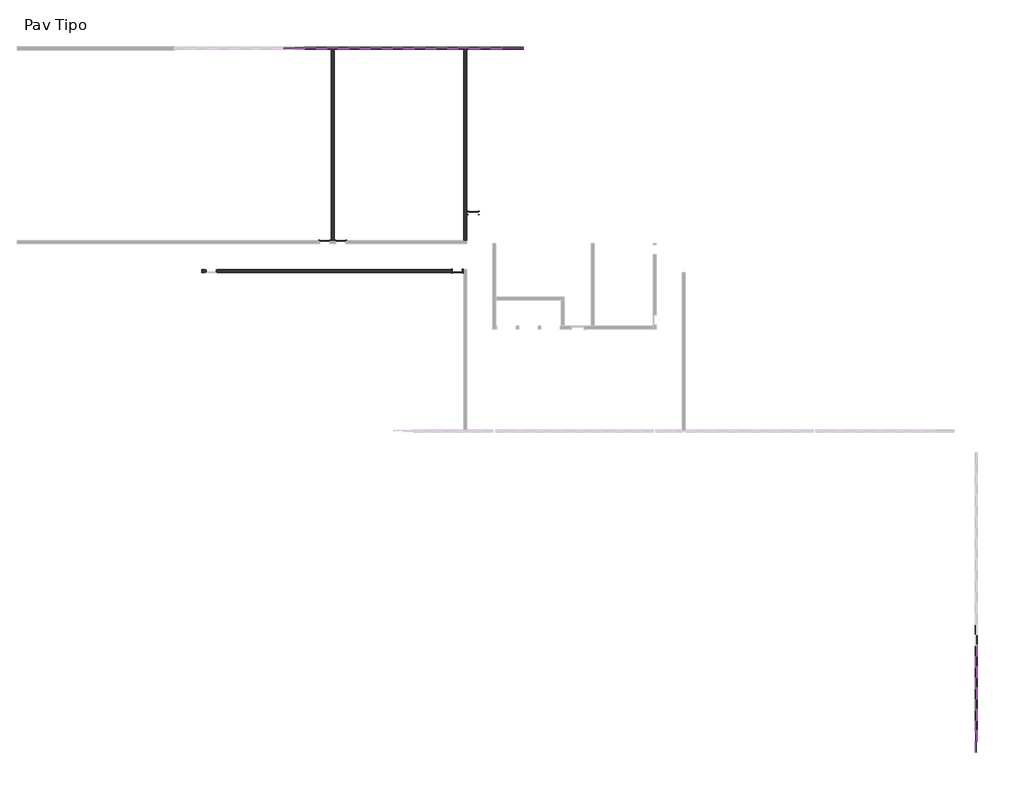
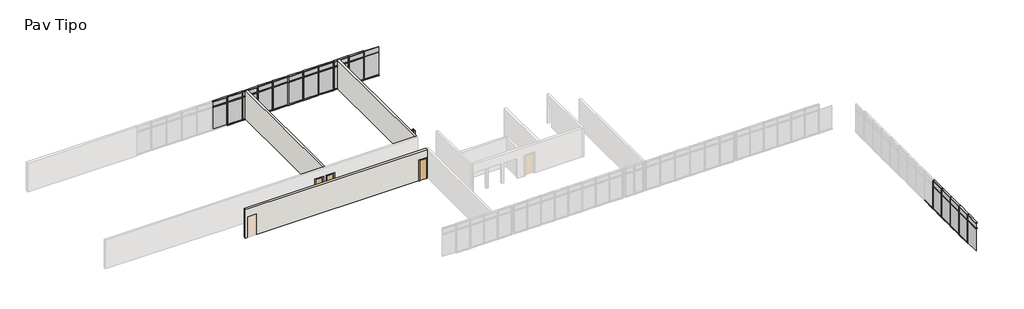
# One storey, part 6 of 12: 75 members, 32 plates, 4 doors, 3 walls.
"""IFC4 building model written with IfcOpenShell, lengths in millimetres."""

import ifcopenshell
import ifcopenshell.guid

model = None  # the IFC model being written
_history = None  # IfcOwnerHistory: only IFC2X3 demands one
_inside = {}  # id of a spatial element -> (the spatial element, [elements in it])
_under = {}  # id of a project, library or spatial element -> (it, [spatial elements below it])
_declared = {}  # id of a project -> (the project, [libraries it declares])
_typed = {}  # id of a type object -> (the type object, [elements of that type])
_made_of = {}  # id of a material, layer set ... -> (it, [elements and type objects made of it])


def new_model(schema):
    """Start an empty IFC model of exactly this schema.

    Asked for "IFC4X3", IfcOpenShell would pick the latest addendum, in which some entities
    have other attributes; the version numbers below select the first issue.
    IFC2X3 requires an IfcOwnerHistory on every rooted entity: one is made here for all.
    """
    global model, _history
    if schema == "IFC4X3":
        model = ifcopenshell.file(schema_version=(4, 3, 0, 0))
    else:
        model = ifcopenshell.file(schema=schema)
    _inside.clear()
    _under.clear()
    _declared.clear()
    _typed.clear()
    _made_of.clear()
    _history = None
    if model.schema == "IFC2X3":
        org = make("IfcOrganization", Name="unknown")
        user = make(
            "IfcPersonAndOrganization",
            ThePerson=make("IfcPerson", FamilyName="unknown"),
            TheOrganization=org,
        )
        app = make(
            "IfcApplication",
            ApplicationDeveloper=org,
            Version="unknown",
            ApplicationFullName="unknown",
            ApplicationIdentifier="unknown",
        )
        _history = make(
            "IfcOwnerHistory",
            OwningUser=user,
            OwningApplication=app,
            ChangeAction="ADDED",
            CreationDate=0,
        )
    return model


def make(cls, **values):
    """One entity of the class cls with the attributes given. An attribute that is None is left unset."""
    return model.create_entity(
        cls, **{name: value for name, value in values.items() if value is not None}
    )


def rooted(cls, **values):
    """An entity with a GlobalId (a new one), such as an element, a storey or a relation."""
    return make(cls, GlobalId=ifcopenshell.guid.new(), OwnerHistory=_history, **values)


def si_unit(unit_type, name, prefix=None):
    """IfcSIUnit, for example si_unit("LENGTHUNIT", "METRE", prefix="MILLI")."""
    return make("IfcSIUnit", UnitType=unit_type, Prefix=prefix, Name=name)


def assignment(units):
    """IfcUnitAssignment: the units of a project."""
    return None if units is None else make("IfcUnitAssignment", Units=units)


def point(xyz):
    """IfcCartesianPoint."""
    return None if xyz is None else make("IfcCartesianPoint", Coordinates=xyz)


def direction(xyz):
    """IfcDirection."""
    return None if xyz is None else make("IfcDirection", DirectionRatios=xyz)


def frame(location, z_axis=None, x_axis=None):
    """IfcAxis2Placement3D, a coordinate frame: its origin and axes. An axis left out is left unset."""
    return make(
        "IfcAxis2Placement3D",
        Location=point(location),
        Axis=direction(z_axis),
        RefDirection=direction(x_axis),
    )


def origin():
    """The frame at (0, 0, 0) with its axes left unset."""
    return frame((0.0, 0.0, 0.0))


def origin_with_axes():
    """The frame at (0, 0, 0) with the z axis (0, 0, 1) and the x axis (1, 0, 0) written out."""
    return frame((0.0, 0.0, 0.0), z_axis=(0.0, 0.0, 1.0), x_axis=(1.0, 0.0, 0.0))


def place(relative_to, where):
    """IfcLocalPlacement: puts the frame where relative to a parent placement (None: the world)."""
    return make(
        "IfcLocalPlacement", PlacementRelTo=relative_to, RelativePlacement=where
    )


def context(
    kind, dimensions, precision=None, world=None, true_north=None, identifier=None
):
    """IfcGeometricRepresentationContext, for example the 3D "Model" context."""
    return make(
        "IfcGeometricRepresentationContext",
        ContextIdentifier=identifier,
        ContextType=kind,
        CoordinateSpaceDimension=dimensions,
        Precision=precision,
        WorldCoordinateSystem=world,
        TrueNorth=true_north,
    )


def project(units=None, contexts=None):
    """IfcProject with its units and contexts."""
    return rooted(
        "IfcProject",
        Name="project",
        RepresentationContexts=contexts,
        UnitsInContext=assignment(units),
    )


def spatial(cls, under=None, at=None, **own):
    """A site, building, storey or space (cls), placed at a placement, below another one or the project."""
    s = rooted(cls, ObjectPlacement=at, **own)
    if under is not None:
        _under.setdefault(under.id(), (under, []))[1].append(s)
    return s


def polyline(points):
    """IfcPolyline through the points."""
    return make("IfcPolyline", Points=[point(p) for p in points])


def outline(outer, holes=None, kind="AREA"):
    """IfcArbitraryClosedProfileDef: a profile drawn as a closed curve; with holes, ...WithVoids."""
    if holes is None:
        return make("IfcArbitraryClosedProfileDef", ProfileType=kind, OuterCurve=outer)
    return make(
        "IfcArbitraryProfileDefWithVoids",
        ProfileType=kind,
        OuterCurve=outer,
        InnerCurves=holes,
    )


def extrude(swept, where, along, depth):
    """IfcExtrudedAreaSolid: the profile swept, set in the frame where, extruded along a direction by depth."""
    return make(
        "IfcExtrudedAreaSolid",
        SweptArea=swept,
        Position=where,
        ExtrudedDirection=direction(along),
        Depth=depth,
    )


def faces_of(points, faces, orient=None, outer=None):
    """IfcFace entities. A face is a list of loops; a loop is a list of indices into points, from 0.

    orient and outer hold one flag for each loop. By default every Orientation is true, the
    first loop of a face is its IfcFaceOuterBound and the others are IfcFaceBound.
    """
    made = []
    for i, loops in enumerate(faces):
        bounds = []
        for j, loop in enumerate(loops):
            is_outer = j == 0 if outer is None else outer[i][j]
            bounds.append(
                make(
                    "IfcFaceOuterBound" if is_outer else "IfcFaceBound",
                    Bound=make("IfcPolyLoop", Polygon=[points[k] for k in loop]),
                    Orientation=True if orient is None else orient[i][j],
                )
            )
        made.append(make("IfcFace", Bounds=bounds))
    return made


def faceted_brep(points, faces, orient=None, outer=None, voids=None):
    """IfcFacetedBrep: a solid bounded by flat faces; with voids (closed shells), ...WithVoids."""
    shared = [point(p) for p in points]
    hull = make("IfcClosedShell", CfsFaces=faces_of(shared, faces, orient, outer))
    if voids is None:
        return make("IfcFacetedBrep", Outer=hull)
    return make(
        "IfcFacetedBrepWithVoids",
        Outer=hull,
        Voids=[
            make(cls, CfsFaces=faces_of(shared, fs, o, b)) for cls, fs, o, b in voids
        ],
    )


def shape(context_of_items, identifier, shape_type, items):
    """IfcShapeRepresentation: the items that make up one representation, for example the "Body"."""
    return make(
        "IfcShapeRepresentation",
        ContextOfItems=context_of_items,
        RepresentationIdentifier=identifier,
        RepresentationType=shape_type,
        Items=items,
    )


def source(mapping_origin, context_of_items, identifier, shape_type, items):
    """IfcRepresentationMap: a shape defined once, which mapped items show again and again."""
    return make(
        "IfcRepresentationMap",
        MappingOrigin=mapping_origin,
        MappedRepresentation=shape(context_of_items, identifier, shape_type, items),
    )


def transform(
    local_origin,
    x_axis=None,
    y_axis=None,
    z_axis=None,
    scale=None,
    scale2=None,
    scale3=None,
    uniform=True,
):
    """IfcCartesianTransformationOperator3D, or its non-uniform kind. x_axis, y_axis, z_axis: its Axis1, 2, 3."""
    if uniform:
        return make(
            "IfcCartesianTransformationOperator3D",
            Axis1=direction(x_axis),
            Axis2=direction(y_axis),
            LocalOrigin=point(local_origin),
            Scale=scale,
            Axis3=direction(z_axis),
        )
    return make(
        "IfcCartesianTransformationOperator3DnonUniform",
        Axis1=direction(x_axis),
        Axis2=direction(y_axis),
        LocalOrigin=point(local_origin),
        Scale=scale,
        Axis3=direction(z_axis),
        Scale2=scale2,
        Scale3=scale3,
    )


def mapped(mapping_source, mapping_target):
    """IfcMappedItem: shows the shape of a source again, moved by a transform."""
    return make(
        "IfcMappedItem", MappingSource=mapping_source, MappingTarget=mapping_target
    )


def made_of(thing, what):
    """Note that an element or type object is made of a material, layer set ...; save() writes the relation."""
    if what is not None:
        _made_of.setdefault(what.id(), (what, []))[1].append(thing)
    return thing


def element(
    cls,
    number,
    at=None,
    inside=None,
    cuts=None,
    type_object=None,
    material=None,
    context=None,
    identifier="Body",
    shape_type=None,
    held_by="IfcProductDefinitionShape",
    body=None,
    shapes=None,
    **own,
):
    """One element of the class cls, such as IfcWall. Its Tag is "e" and its number.

    at: its placement. inside: the storey or other place that contains it. cuts: it is an
    opening in that element (IfcRelVoidsElement). A single representation is given by context,
    identifier, shape_type and body (its items); several are given by shapes. held_by: the class
    of the entity that holds the representations. save() writes the other relations.
    """
    e = rooted(cls, Tag="e%d" % number, ObjectPlacement=at, **own)
    if body is not None:
        shapes = [shape(context, identifier, shape_type, body)]
    if shapes is not None:
        e.Representation = make(held_by, Representations=shapes)
    if inside is not None:
        _inside.setdefault(inside.id(), (inside, []))[1].append(e)
    if cuts is not None:
        rooted(
            "IfcRelVoidsElement", RelatingBuildingElement=cuts, RelatedOpeningElement=e
        )
    if type_object is not None:
        _typed.setdefault(type_object.id(), (type_object, []))[1].append(e)
    return made_of(e, material)


def aggregate(whole, parts):
    """IfcRelAggregates: a whole, such as a stair, and the parts it consists of."""
    return rooted("IfcRelAggregates", RelatingObject=whole, RelatedObjects=parts)


def save(model, path):
    """Write the relations noted so far, then the file.

    IfcRelAggregates (storeys below a building ...), IfcRelContainedInSpatialStructure (elements
    in a storey), IfcRelDefinesByType, IfcRelAssociatesMaterial and IfcRelDeclares: one each for
    every whole, place, type object, material and project.
    """
    for whole, parts in _under.values():
        aggregate(whole, parts)
    for where, things in _inside.values():
        rooted(
            "IfcRelContainedInSpatialStructure",
            RelatedElements=things,
            RelatingStructure=where,
        )
    for kind, things in _typed.values():
        rooted("IfcRelDefinesByType", RelatedObjects=things, RelatingType=kind)
    for what, things in _made_of.values():
        rooted("IfcRelAssociatesMaterial", RelatedObjects=things, RelatingMaterial=what)
    for by, libraries in _declared.values():
        rooted("IfcRelDeclares", RelatingContext=by, RelatedDefinitions=libraries)
    model.write(path)


def m_single_flush_porta_70_94af1243(model_context):
    return source(origin(), model_context, "Body", "SweptSolid", [
        extrude(outline(polyline([(2176.0, -426.0), (0.0, -426.0), (0.0, -350.0), (2100.0, -350.0), (2100.0, 350.0), (0.0, 350.0), (0.0, 426.0), (2176.0, 426.0), (2176.0, -426.0)])), frame((0.0, 100.0, 0.0), z_axis=(0.0, 1.0, 0.0), x_axis=(0.0, 0.0, 1.0)), (0.0, 0.0, 1.0), 25.0),
        extrude(outline(polyline([(2176.0, 426.0), (2176.0, -426.0), (0.0, -426.0), (0.0, -350.0), (2100.0, -350.0), (2100.0, 350.0), (0.0, 350.0), (0.0, 426.0), (2176.0, 426.0)])), frame((0.0, -125.0, 0.0), z_axis=(0.0, 1.0, 0.0), x_axis=(0.0, 0.0, 1.0)), (0.0, 0.0, 1.0), 25.0),
        extrude(outline(polyline([(350.0, 49.0), (-350.0, 49.0), (-350.0, 100.0), (350.0, 100.0), (350.0, 49.0)])), origin_with_axes(), (0.0, 0.0, 1.0), 2100.0),
    ])


def m_single_flush_porta_70_b827da78(model_context):
    return source(origin(), model_context, "Body", "SweptSolid", [
        extrude(outline(polyline([(2176.0, -426.0), (0.0, -426.0), (0.0, -350.0), (2100.0, -350.0), (2100.0, 350.0), (0.0, 350.0), (0.0, 426.0), (2176.0, 426.0), (2176.0, -426.0)])), frame((0.0, -125.0, 0.0), z_axis=(0.0, 1.0, 0.0), x_axis=(0.0, 0.0, 1.0)), (0.0, 0.0, 1.0), 25.0),
        extrude(outline(polyline([(2176.0, 426.0), (2176.0, -426.0), (0.0, -426.0), (0.0, -350.0), (2100.0, -350.0), (2100.0, 350.0), (0.0, 350.0), (0.0, 426.0), (2176.0, 426.0)])), frame((0.0, 100.0, 0.0), z_axis=(0.0, 1.0, 0.0), x_axis=(0.0, 0.0, 1.0)), (0.0, 0.0, 1.0), 25.0),
        extrude(outline(polyline([(350.0, -49.0), (350.0, -100.0), (-350.0, -100.0), (-350.0, -49.0), (350.0, -49.0)])), origin_with_axes(), (0.0, 0.0, 1.0), 2100.0),
    ])


def rectangular_mullion_50_x_150mm_6225e4e3(model_context):
    return source(origin(), model_context, "Body", "SweptSolid", [
        extrude(outline(polyline([(25.0, 75.0), (25.0, -75.0), (-25.0, -75.0), (-25.0, 75.0), (25.0, 75.0)])), frame((0.0, 0.0, -2400.0), z_axis=(0.0, 0.0, 1.0), x_axis=(1.0, 0.0, 0.0)), (0.0, 0.0, 1.0), 2400.0),
    ])


def rectangular_mullion_50_x_150mm_7c7b8d17(model_context):
    return source(origin(), model_context, "Body", "SweptSolid", [
        extrude(outline(polyline([(0.0, 75.0), (0.0, -75.0), (-50.0, -75.0), (-50.0, 75.0), (0.0, 75.0)])), frame((0.0, 0.0, -1423.6842105), z_axis=(0.0, 0.0, 1.0), x_axis=(1.0, 0.0, 0.0)), (0.0, 0.0, 1.0), 1423.6842105),
    ])


def rectangular_mullion_50_x_150mm_27298aca(model_context):
    return source(origin(), model_context, "Body", "SweptSolid", [
        extrude(outline(polyline([(25.0, 75.0), (25.0, -75.0), (-25.0, -75.0), (-25.0, 75.0), (25.0, 75.0)])), frame((0.0, 0.0, -1423.6842105), z_axis=(0.0, 0.0, 1.0), x_axis=(1.0, 0.0, 0.0)), (0.0, 0.0, 1.0), 1423.6842105),
    ])


def rectangular_mullion_50_x_150mm_5a145be0(model_context):
    return source(origin(), model_context, "Body", "SweptSolid", [
        extrude(outline(polyline([(0.0, 75.0), (0.0, -75.0), (-50.0, -75.0), (-50.0, 75.0), (0.0, 75.0)])), frame((0.0, 0.0, -1450.0), z_axis=(0.0, 0.0, 1.0), x_axis=(1.0, 0.0, 0.0)), (0.0, 0.0, 1.0), 1450.0),
    ])


def rectangular_mullion_50_x_150mm_f0154c62(model_context):
    return source(origin(), model_context, "Body", "SweptSolid", [
        extrude(outline(polyline([(25.0, 75.0), (25.0, -75.0), (-25.0, -75.0), (-25.0, 75.0), (25.0, 75.0)])), frame((0.0, 0.0, -1450.0), z_axis=(0.0, 0.0, 1.0), x_axis=(1.0, 0.0, 0.0)), (0.0, 0.0, 1.0), 1450.0),
    ])


def rectangular_mullion_50_x_150mm_68b3818a(model_context):
    return source(origin(), model_context, "Body", "SweptSolid", [
        extrude(outline(polyline([(25.0, 75.0), (25.0, -75.0), (-25.0, -75.0), (-25.0, 75.0), (25.0, 75.0)])), frame((0.0, 0.0, -600.0), z_axis=(0.0, 0.0, 1.0), x_axis=(1.0, 0.0, 0.0)), (0.0, 0.0, 1.0), 600.0),
    ])


def system_panel_glazed_e350fe68(model_context):
    return source(origin(), model_context, "Body", "SweptSolid", [
        extrude(outline(polyline([(711.8421053, 24.5), (-711.8421053, 24.5), (-711.8421053, 49.5), (711.8421053, 49.5), (711.8421053, 24.5)])), origin_with_axes(), (0.0, 0.0, 1.0), 2325.0),
    ])


def system_panel_glazed_8ab755ad(model_context):
    return source(origin(), model_context, "Body", "SweptSolid", [
        extrude(outline(polyline([(725.0, 24.5), (-725.0, 24.5), (-725.0, 49.5), (725.0, 49.5), (725.0, 24.5)])), origin_with_axes(), (0.0, 0.0, 1.0), 2325.0),
    ])


def system_panel_glazed_0c7632f4(model_context):
    return source(origin(), model_context, "Body", "SweptSolid", [
        extrude(outline(polyline([(725.0, 24.5), (-725.0, 24.5), (-725.0, 49.5), (725.0, 49.5), (725.0, 24.5)])), origin_with_axes(), (0.0, 0.0, 1.0), 525.0),
    ])


def system_panel_glazed_b8c7c870(model_context):
    return source(origin(), model_context, "Body", "SweptSolid", [
        extrude(outline(polyline([(711.8421053, 24.5), (-711.8421053, 24.5), (-711.8421053, 49.5), (711.8421053, 49.5), (711.8421053, 24.5)])), origin_with_axes(), (0.0, 0.0, 1.0), 525.0),
    ])


model = new_model("IFC4")

# Units and contexts
model_context = context("Model", 3, world=origin())
ifc_project = project(units=[si_unit("LENGTHUNIT", "METRE", prefix="MILLI")], contexts=[model_context])

# Site, building, storey
site = spatial("IfcSite", under=ifc_project)
building = spatial("IfcBuilding", under=site)
storey = spatial("IfcBuildingStorey", under=building, Name="Pav Tipo", Elevation=7000.0)

# Doors
placement = place(None, origin())
m_single_flush_porta_70_shape = m_single_flush_porta_70_94af1243(model_context)
element("IfcDoor", 1, ObjectType="M_Single-Flush : porta 70", at=placement, inside=storey, context=model_context, shape_type="MappedRepresentation", body=[
    mapped(m_single_flush_porta_70_shape, transform((-13312.3640117, 34582.429968, 7000.0), x_axis=(1.0, 0.0, 0.0), y_axis=(0.0, 1.0, 0.0), z_axis=(0.0, 0.0, 1.0))),
])
m_single_flush_porta_70_2_shape = m_single_flush_porta_70_b827da78(model_context)
element("IfcDoor", 2, ObjectType="M_Single-Flush : porta 70", at=placement, inside=storey, context=model_context, shape_type="MappedRepresentation", body=[
    mapped(m_single_flush_porta_70_2_shape, transform((-3112.3640117, 36582.429968, 7000.0), x_axis=(-1.0, 0.0, 0.0), y_axis=(0.0, -1.0, 0.0), z_axis=(0.0, 0.0, 1.0))),
])
element("IfcDoor", 3, ObjectType="M_Single-Flush : porta 70", at=placement, inside=storey, context=model_context, shape_type="MappedRepresentation", body=[
    mapped(m_single_flush_porta_70_2_shape, transform((-12212.3640117, 34582.429968, 7000.0), x_axis=(-1.0, 0.0, 0.0), y_axis=(0.0, -1.0, 0.0), z_axis=(0.0, 0.0, 1.0))),
])
element("IfcDoor", 4, ObjectType="M_Single-Flush : porta 70", at=placement, inside=storey, context=model_context, shape_type="MappedRepresentation", body=[
    mapped(m_single_flush_porta_70_2_shape, transform((-4212.3640117, 32582.429968, 7000.0), x_axis=(1.0, 0.0, 0.0), y_axis=(0.0, 1.0, 0.0), z_axis=(0.0, 0.0, 1.0))),
])

# Members
rectangular_mullion_50_x_150mm_shape = rectangular_mullion_50_x_150mm_6225e4e3(model_context)
element("IfcMember", 5, ObjectType="Rectangular Mullion : 50 x 150mm", at=placement, inside=storey, context=model_context, shape_type="MappedRepresentation", body=[
    mapped(rectangular_mullion_50_x_150mm_shape, transform((31437.6359883, 960.7648733, 7000.0), x_axis=(0.0, 1.0, 0.0), y_axis=(1.0, 0.0, 0.0), z_axis=(0.0, 0.0, -1.0))),
])
element("IfcMember", 6, ObjectType="Rectangular Mullion : 50 x 150mm", at=placement, inside=storey, context=model_context, shape_type="MappedRepresentation", body=[
    mapped(rectangular_mullion_50_x_150mm_shape, transform((31437.6359883, 2434.4490838, 7000.0), x_axis=(0.0, 1.0, 0.0), y_axis=(1.0, 0.0, 0.0), z_axis=(0.0, 0.0, -1.0))),
])
element("IfcMember", 7, ObjectType="Rectangular Mullion : 50 x 150mm", at=placement, inside=storey, context=model_context, shape_type="MappedRepresentation", body=[
    mapped(rectangular_mullion_50_x_150mm_shape, transform((31437.6359883, 3908.1332943, 7000.0), x_axis=(0.0, 1.0, 0.0), y_axis=(1.0, 0.0, 0.0), z_axis=(0.0, 0.0, -1.0))),
])
element("IfcMember", 8, ObjectType="Rectangular Mullion : 50 x 150mm", at=placement, inside=storey, context=model_context, shape_type="MappedRepresentation", body=[
    mapped(rectangular_mullion_50_x_150mm_shape, transform((31437.6359883, 5381.8175049, 7000.0), x_axis=(0.0, 1.0, 0.0), y_axis=(1.0, 0.0, 0.0), z_axis=(0.0, 0.0, -1.0))),
])
element("IfcMember", 9, ObjectType="Rectangular Mullion : 50 x 150mm", at=placement, inside=storey, context=model_context, shape_type="MappedRepresentation", body=[
    mapped(rectangular_mullion_50_x_150mm_shape, transform((31437.6359883, 6855.5017154, 7000.0), x_axis=(0.0, 1.0, 0.0), y_axis=(1.0, 0.0, 0.0), z_axis=(0.0, 0.0, -1.0))),
])
element("IfcMember", 10, ObjectType="Rectangular Mullion : 50 x 150mm", at=placement, inside=storey, context=model_context, shape_type="MappedRepresentation", body=[
    mapped(rectangular_mullion_50_x_150mm_shape, transform((-14662.3640117, 47892.3438207, 7000.0), x_axis=(1.0, 0.0, 0.0), y_axis=(0.0, -1.0, 0.0), z_axis=(0.0, 0.0, -1.0))),
])
element("IfcMember", 11, ObjectType="Rectangular Mullion : 50 x 150mm", at=placement, inside=storey, context=model_context, shape_type="MappedRepresentation", body=[
    mapped(rectangular_mullion_50_x_150mm_shape, transform((-13162.3640117, 47892.3438207, 7000.0), x_axis=(1.0, 0.0, 0.0), y_axis=(0.0, -1.0, 0.0), z_axis=(0.0, 0.0, -1.0))),
])
element("IfcMember", 12, ObjectType="Rectangular Mullion : 50 x 150mm", at=placement, inside=storey, context=model_context, shape_type="MappedRepresentation", body=[
    mapped(rectangular_mullion_50_x_150mm_shape, transform((-11662.3640117, 47892.3438207, 7000.0), x_axis=(1.0, 0.0, 0.0), y_axis=(0.0, -1.0, 0.0), z_axis=(0.0, 0.0, -1.0))),
])
element("IfcMember", 13, ObjectType="Rectangular Mullion : 50 x 150mm", at=placement, inside=storey, context=model_context, shape_type="MappedRepresentation", body=[
    mapped(rectangular_mullion_50_x_150mm_shape, transform((-10162.3640117, 47892.3438207, 7000.0), x_axis=(1.0, 0.0, 0.0), y_axis=(0.0, -1.0, 0.0), z_axis=(0.0, 0.0, -1.0))),
])
element("IfcMember", 14, ObjectType="Rectangular Mullion : 50 x 150mm", at=placement, inside=storey, context=model_context, shape_type="MappedRepresentation", body=[
    mapped(rectangular_mullion_50_x_150mm_shape, transform((-8662.3640117, 47892.3438207, 7000.0), x_axis=(1.0, 0.0, 0.0), y_axis=(0.0, -1.0, 0.0), z_axis=(0.0, 0.0, -1.0))),
])
element("IfcMember", 15, ObjectType="Rectangular Mullion : 50 x 150mm", at=placement, inside=storey, context=model_context, shape_type="MappedRepresentation", body=[
    mapped(rectangular_mullion_50_x_150mm_shape, transform((-7162.3640117, 47892.3438207, 7000.0), x_axis=(1.0, 0.0, 0.0), y_axis=(0.0, -1.0, 0.0), z_axis=(0.0, 0.0, -1.0))),
])
element("IfcMember", 16, ObjectType="Rectangular Mullion : 50 x 150mm", at=placement, inside=storey, context=model_context, shape_type="MappedRepresentation", body=[
    mapped(rectangular_mullion_50_x_150mm_shape, transform((-5662.3640117, 47892.3438207, 7000.0), x_axis=(1.0, 0.0, 0.0), y_axis=(0.0, -1.0, 0.0), z_axis=(0.0, 0.0, -1.0))),
])
element("IfcMember", 17, ObjectType="Rectangular Mullion : 50 x 150mm", at=placement, inside=storey, context=model_context, shape_type="MappedRepresentation", body=[
    mapped(rectangular_mullion_50_x_150mm_shape, transform((-4162.3640117, 47892.3438207, 7000.0), x_axis=(1.0, 0.0, 0.0), y_axis=(0.0, -1.0, 0.0), z_axis=(0.0, 0.0, -1.0))),
])
element("IfcMember", 18, ObjectType="Rectangular Mullion : 50 x 150mm", at=placement, inside=storey, context=model_context, shape_type="MappedRepresentation", body=[
    mapped(rectangular_mullion_50_x_150mm_shape, transform((-2662.3640117, 47892.3438207, 7000.0), x_axis=(1.0, 0.0, 0.0), y_axis=(0.0, -1.0, 0.0), z_axis=(0.0, 0.0, -1.0))),
])
element("IfcMember", 19, ObjectType="Rectangular Mullion : 50 x 150mm", at=placement, inside=storey, context=model_context, shape_type="MappedRepresentation", body=[
    mapped(rectangular_mullion_50_x_150mm_shape, transform((-1162.3640117, 47892.3438207, 7000.0), x_axis=(1.0, 0.0, 0.0), y_axis=(0.0, -1.0, 0.0), z_axis=(0.0, 0.0, -1.0))),
])
rectangular_mullion_50_x_150mm_2_shape = rectangular_mullion_50_x_150mm_7c7b8d17(model_context)
element("IfcMember", 20, ObjectType="Rectangular Mullion : 50 x 150mm", at=placement, inside=storey, context=model_context, shape_type="MappedRepresentation", body=[
    mapped(rectangular_mullion_50_x_150mm_2_shape, transform((31437.6359883, 935.7648733, 10000.0), x_axis=(0.0, 0.0, 1.0), y_axis=(1.0, 0.0, 0.0), z_axis=(0.0, 1.0, 0.0))),
])
element("IfcMember", 21, ObjectType="Rectangular Mullion : 50 x 150mm", at=placement, inside=storey, context=model_context, shape_type="MappedRepresentation", body=[
    mapped(rectangular_mullion_50_x_150mm_2_shape, transform((31437.6359883, 2409.4490838, 10000.0), x_axis=(0.0, 0.0, 1.0), y_axis=(1.0, 0.0, 0.0), z_axis=(0.0, 1.0, 0.0))),
])
element("IfcMember", 22, ObjectType="Rectangular Mullion : 50 x 150mm", at=placement, inside=storey, context=model_context, shape_type="MappedRepresentation", body=[
    mapped(rectangular_mullion_50_x_150mm_2_shape, transform((31437.6359883, 3883.1332943, 10000.0), x_axis=(0.0, 0.0, 1.0), y_axis=(1.0, 0.0, 0.0), z_axis=(0.0, 1.0, 0.0))),
])
element("IfcMember", 23, ObjectType="Rectangular Mullion : 50 x 150mm", at=placement, inside=storey, context=model_context, shape_type="MappedRepresentation", body=[
    mapped(rectangular_mullion_50_x_150mm_2_shape, transform((31437.6359883, 5356.8175049, 10000.0), x_axis=(0.0, 0.0, 1.0), y_axis=(1.0, 0.0, 0.0), z_axis=(0.0, 1.0, 0.0))),
])
element("IfcMember", 24, ObjectType="Rectangular Mullion : 50 x 150mm", at=placement, inside=storey, context=model_context, shape_type="MappedRepresentation", body=[
    mapped(rectangular_mullion_50_x_150mm_2_shape, transform((31437.6359883, 6830.5017154, 10000.0), x_axis=(0.0, 0.0, 1.0), y_axis=(1.0, 0.0, 0.0), z_axis=(0.0, 1.0, 0.0))),
])
element("IfcMember", 25, ObjectType="Rectangular Mullion : 50 x 150mm", at=placement, inside=storey, context=model_context, shape_type="MappedRepresentation", body=[
    mapped(rectangular_mullion_50_x_150mm_2_shape, transform((31437.6359883, 985.7648733, 7000.0), x_axis=(0.0, 0.0, -1.0), y_axis=(1.0, 0.0, 0.0), z_axis=(0.0, -1.0, 0.0))),
])
element("IfcMember", 26, ObjectType="Rectangular Mullion : 50 x 150mm", at=placement, inside=storey, context=model_context, shape_type="MappedRepresentation", body=[
    mapped(rectangular_mullion_50_x_150mm_2_shape, transform((31437.6359883, 2459.4490838, 7000.0), x_axis=(0.0, 0.0, -1.0), y_axis=(1.0, 0.0, 0.0), z_axis=(0.0, -1.0, 0.0))),
])
element("IfcMember", 27, ObjectType="Rectangular Mullion : 50 x 150mm", at=placement, inside=storey, context=model_context, shape_type="MappedRepresentation", body=[
    mapped(rectangular_mullion_50_x_150mm_2_shape, transform((31437.6359883, 3933.1332943, 7000.0), x_axis=(0.0, 0.0, -1.0), y_axis=(1.0, 0.0, 0.0), z_axis=(0.0, -1.0, 0.0))),
])
element("IfcMember", 28, ObjectType="Rectangular Mullion : 50 x 150mm", at=placement, inside=storey, context=model_context, shape_type="MappedRepresentation", body=[
    mapped(rectangular_mullion_50_x_150mm_2_shape, transform((31437.6359883, 5406.8175049, 7000.0), x_axis=(0.0, 0.0, -1.0), y_axis=(1.0, 0.0, 0.0), z_axis=(0.0, -1.0, 0.0))),
])
element("IfcMember", 29, ObjectType="Rectangular Mullion : 50 x 150mm", at=placement, inside=storey, context=model_context, shape_type="MappedRepresentation", body=[
    mapped(rectangular_mullion_50_x_150mm_2_shape, transform((31437.6359883, 6880.5017154, 7000.0), x_axis=(0.0, 0.0, -1.0), y_axis=(1.0, 0.0, 0.0), z_axis=(0.0, -1.0, 0.0))),
])
rectangular_mullion_50_x_150mm_3_shape = rectangular_mullion_50_x_150mm_27298aca(model_context)
element("IfcMember", 30, ObjectType="Rectangular Mullion : 50 x 150mm", at=placement, inside=storey, context=model_context, shape_type="MappedRepresentation", body=[
    mapped(rectangular_mullion_50_x_150mm_3_shape, transform((31437.6359883, 935.7648733, 9400.0), x_axis=(0.0, 0.0, 1.0), y_axis=(1.0, 0.0, 0.0), z_axis=(0.0, 1.0, 0.0))),
])
element("IfcMember", 31, ObjectType="Rectangular Mullion : 50 x 150mm", at=placement, inside=storey, context=model_context, shape_type="MappedRepresentation", body=[
    mapped(rectangular_mullion_50_x_150mm_3_shape, transform((31437.6359883, 2409.4490838, 9400.0), x_axis=(0.0, 0.0, 1.0), y_axis=(1.0, 0.0, 0.0), z_axis=(0.0, 1.0, 0.0))),
])
element("IfcMember", 32, ObjectType="Rectangular Mullion : 50 x 150mm", at=placement, inside=storey, context=model_context, shape_type="MappedRepresentation", body=[
    mapped(rectangular_mullion_50_x_150mm_3_shape, transform((31437.6359883, 3883.1332943, 9400.0), x_axis=(0.0, 0.0, 1.0), y_axis=(1.0, 0.0, 0.0), z_axis=(0.0, 1.0, 0.0))),
])
element("IfcMember", 33, ObjectType="Rectangular Mullion : 50 x 150mm", at=placement, inside=storey, context=model_context, shape_type="MappedRepresentation", body=[
    mapped(rectangular_mullion_50_x_150mm_3_shape, transform((31437.6359883, 5356.8175049, 9400.0), x_axis=(0.0, 0.0, 1.0), y_axis=(1.0, 0.0, 0.0), z_axis=(0.0, 1.0, 0.0))),
])
element("IfcMember", 34, ObjectType="Rectangular Mullion : 50 x 150mm", at=placement, inside=storey, context=model_context, shape_type="MappedRepresentation", body=[
    mapped(rectangular_mullion_50_x_150mm_3_shape, transform((31437.6359883, 6830.5017154, 9400.0), x_axis=(0.0, 0.0, 1.0), y_axis=(1.0, 0.0, 0.0), z_axis=(0.0, 1.0, 0.0))),
])
rectangular_mullion_50_x_150mm_4_shape = rectangular_mullion_50_x_150mm_5a145be0(model_context)
element("IfcMember", 35, ObjectType="Rectangular Mullion : 50 x 150mm", at=placement, inside=storey, context=model_context, shape_type="MappedRepresentation", body=[
    mapped(rectangular_mullion_50_x_150mm_4_shape, transform((-14687.3640117, 47892.3438207, 10000.0), x_axis=(0.0, 0.0, 1.0), y_axis=(0.0, -1.0, 0.0), z_axis=(1.0, 0.0, 0.0))),
])
element("IfcMember", 36, ObjectType="Rectangular Mullion : 50 x 150mm", at=placement, inside=storey, context=model_context, shape_type="MappedRepresentation", body=[
    mapped(rectangular_mullion_50_x_150mm_4_shape, transform((-13187.3640117, 47892.3438207, 10000.0), x_axis=(0.0, 0.0, 1.0), y_axis=(0.0, -1.0, 0.0), z_axis=(1.0, 0.0, 0.0))),
])
element("IfcMember", 37, ObjectType="Rectangular Mullion : 50 x 150mm", at=placement, inside=storey, context=model_context, shape_type="MappedRepresentation", body=[
    mapped(rectangular_mullion_50_x_150mm_4_shape, transform((-11687.3640117, 47892.3438207, 10000.0), x_axis=(0.0, 0.0, 1.0), y_axis=(0.0, -1.0, 0.0), z_axis=(1.0, 0.0, 0.0))),
])
element("IfcMember", 38, ObjectType="Rectangular Mullion : 50 x 150mm", at=placement, inside=storey, context=model_context, shape_type="MappedRepresentation", body=[
    mapped(rectangular_mullion_50_x_150mm_4_shape, transform((-10187.3640117, 47892.3438207, 10000.0), x_axis=(0.0, 0.0, 1.0), y_axis=(0.0, -1.0, 0.0), z_axis=(1.0, 0.0, 0.0))),
])
element("IfcMember", 39, ObjectType="Rectangular Mullion : 50 x 150mm", at=placement, inside=storey, context=model_context, shape_type="MappedRepresentation", body=[
    mapped(rectangular_mullion_50_x_150mm_4_shape, transform((-8687.3640117, 47892.3438207, 10000.0), x_axis=(0.0, 0.0, 1.0), y_axis=(0.0, -1.0, 0.0), z_axis=(1.0, 0.0, 0.0))),
])
element("IfcMember", 40, ObjectType="Rectangular Mullion : 50 x 150mm", at=placement, inside=storey, context=model_context, shape_type="MappedRepresentation", body=[
    mapped(rectangular_mullion_50_x_150mm_4_shape, transform((-7187.3640117, 47892.3438207, 10000.0), x_axis=(0.0, 0.0, 1.0), y_axis=(0.0, -1.0, 0.0), z_axis=(1.0, 0.0, 0.0))),
])
element("IfcMember", 41, ObjectType="Rectangular Mullion : 50 x 150mm", at=placement, inside=storey, context=model_context, shape_type="MappedRepresentation", body=[
    mapped(rectangular_mullion_50_x_150mm_4_shape, transform((-5687.3640117, 47892.3438207, 10000.0), x_axis=(0.0, 0.0, 1.0), y_axis=(0.0, -1.0, 0.0), z_axis=(1.0, 0.0, 0.0))),
])
element("IfcMember", 42, ObjectType="Rectangular Mullion : 50 x 150mm", at=placement, inside=storey, context=model_context, shape_type="MappedRepresentation", body=[
    mapped(rectangular_mullion_50_x_150mm_4_shape, transform((-4187.3640117, 47892.3438207, 10000.0), x_axis=(0.0, 0.0, 1.0), y_axis=(0.0, -1.0, 0.0), z_axis=(1.0, 0.0, 0.0))),
])
element("IfcMember", 43, ObjectType="Rectangular Mullion : 50 x 150mm", at=placement, inside=storey, context=model_context, shape_type="MappedRepresentation", body=[
    mapped(rectangular_mullion_50_x_150mm_4_shape, transform((-2687.3640117, 47892.3438207, 10000.0), x_axis=(0.0, 0.0, 1.0), y_axis=(0.0, -1.0, 0.0), z_axis=(1.0, 0.0, 0.0))),
])
element("IfcMember", 44, ObjectType="Rectangular Mullion : 50 x 150mm", at=placement, inside=storey, context=model_context, shape_type="MappedRepresentation", body=[
    mapped(rectangular_mullion_50_x_150mm_4_shape, transform((-1187.3640117, 47892.3438207, 10000.0), x_axis=(0.0, 0.0, 1.0), y_axis=(0.0, -1.0, 0.0), z_axis=(1.0, 0.0, 0.0))),
])
element("IfcMember", 45, ObjectType="Rectangular Mullion : 50 x 150mm", at=placement, inside=storey, context=model_context, shape_type="MappedRepresentation", body=[
    mapped(rectangular_mullion_50_x_150mm_4_shape, transform((-14637.3640117, 47892.3438207, 7000.0), x_axis=(0.0, 0.0, -1.0), y_axis=(0.0, -1.0, 0.0), z_axis=(-1.0, 0.0, 0.0))),
])
element("IfcMember", 46, ObjectType="Rectangular Mullion : 50 x 150mm", at=placement, inside=storey, context=model_context, shape_type="MappedRepresentation", body=[
    mapped(rectangular_mullion_50_x_150mm_4_shape, transform((-13137.3640117, 47892.3438207, 7000.0), x_axis=(0.0, 0.0, -1.0), y_axis=(0.0, -1.0, 0.0), z_axis=(-1.0, 0.0, 0.0))),
])
element("IfcMember", 47, ObjectType="Rectangular Mullion : 50 x 150mm", at=placement, inside=storey, context=model_context, shape_type="MappedRepresentation", body=[
    mapped(rectangular_mullion_50_x_150mm_4_shape, transform((-11637.3640117, 47892.3438207, 7000.0), x_axis=(0.0, 0.0, -1.0), y_axis=(0.0, -1.0, 0.0), z_axis=(-1.0, 0.0, 0.0))),
])
element("IfcMember", 48, ObjectType="Rectangular Mullion : 50 x 150mm", at=placement, inside=storey, context=model_context, shape_type="MappedRepresentation", body=[
    mapped(rectangular_mullion_50_x_150mm_4_shape, transform((-10137.3640117, 47892.3438207, 7000.0), x_axis=(0.0, 0.0, -1.0), y_axis=(0.0, -1.0, 0.0), z_axis=(-1.0, 0.0, 0.0))),
])
element("IfcMember", 49, ObjectType="Rectangular Mullion : 50 x 150mm", at=placement, inside=storey, context=model_context, shape_type="MappedRepresentation", body=[
    mapped(rectangular_mullion_50_x_150mm_4_shape, transform((-8637.3640117, 47892.3438207, 7000.0), x_axis=(0.0, 0.0, -1.0), y_axis=(0.0, -1.0, 0.0), z_axis=(-1.0, 0.0, 0.0))),
])
element("IfcMember", 50, ObjectType="Rectangular Mullion : 50 x 150mm", at=placement, inside=storey, context=model_context, shape_type="MappedRepresentation", body=[
    mapped(rectangular_mullion_50_x_150mm_4_shape, transform((-7137.3640117, 47892.3438207, 7000.0), x_axis=(0.0, 0.0, -1.0), y_axis=(0.0, -1.0, 0.0), z_axis=(-1.0, 0.0, 0.0))),
])
element("IfcMember", 51, ObjectType="Rectangular Mullion : 50 x 150mm", at=placement, inside=storey, context=model_context, shape_type="MappedRepresentation", body=[
    mapped(rectangular_mullion_50_x_150mm_4_shape, transform((-5637.3640117, 47892.3438207, 7000.0), x_axis=(0.0, 0.0, -1.0), y_axis=(0.0, -1.0, 0.0), z_axis=(-1.0, 0.0, 0.0))),
])
element("IfcMember", 52, ObjectType="Rectangular Mullion : 50 x 150mm", at=placement, inside=storey, context=model_context, shape_type="MappedRepresentation", body=[
    mapped(rectangular_mullion_50_x_150mm_4_shape, transform((-4137.3640117, 47892.3438207, 7000.0), x_axis=(0.0, 0.0, -1.0), y_axis=(0.0, -1.0, 0.0), z_axis=(-1.0, 0.0, 0.0))),
])
element("IfcMember", 53, ObjectType="Rectangular Mullion : 50 x 150mm", at=placement, inside=storey, context=model_context, shape_type="MappedRepresentation", body=[
    mapped(rectangular_mullion_50_x_150mm_4_shape, transform((-2637.3640117, 47892.3438207, 7000.0), x_axis=(0.0, 0.0, -1.0), y_axis=(0.0, -1.0, 0.0), z_axis=(-1.0, 0.0, 0.0))),
])
element("IfcMember", 54, ObjectType="Rectangular Mullion : 50 x 150mm", at=placement, inside=storey, context=model_context, shape_type="MappedRepresentation", body=[
    mapped(rectangular_mullion_50_x_150mm_4_shape, transform((-1137.3640117, 47892.3438207, 7000.0), x_axis=(0.0, 0.0, -1.0), y_axis=(0.0, -1.0, 0.0), z_axis=(-1.0, 0.0, 0.0))),
])
rectangular_mullion_50_x_150mm_5_shape = rectangular_mullion_50_x_150mm_f0154c62(model_context)
element("IfcMember", 55, ObjectType="Rectangular Mullion : 50 x 150mm", at=placement, inside=storey, context=model_context, shape_type="MappedRepresentation", body=[
    mapped(rectangular_mullion_50_x_150mm_5_shape, transform((-14687.3640117, 47892.3438207, 9400.0), x_axis=(0.0, 0.0, 1.0), y_axis=(0.0, -1.0, 0.0), z_axis=(1.0, 0.0, 0.0))),
])
element("IfcMember", 56, ObjectType="Rectangular Mullion : 50 x 150mm", at=placement, inside=storey, context=model_context, shape_type="MappedRepresentation", body=[
    mapped(rectangular_mullion_50_x_150mm_5_shape, transform((-13187.3640117, 47892.3438207, 9400.0), x_axis=(0.0, 0.0, 1.0), y_axis=(0.0, -1.0, 0.0), z_axis=(1.0, 0.0, 0.0))),
])
element("IfcMember", 57, ObjectType="Rectangular Mullion : 50 x 150mm", at=placement, inside=storey, context=model_context, shape_type="MappedRepresentation", body=[
    mapped(rectangular_mullion_50_x_150mm_5_shape, transform((-11687.3640117, 47892.3438207, 9400.0), x_axis=(0.0, 0.0, 1.0), y_axis=(0.0, -1.0, 0.0), z_axis=(1.0, 0.0, 0.0))),
])
element("IfcMember", 58, ObjectType="Rectangular Mullion : 50 x 150mm", at=placement, inside=storey, context=model_context, shape_type="MappedRepresentation", body=[
    mapped(rectangular_mullion_50_x_150mm_5_shape, transform((-10187.3640117, 47892.3438207, 9400.0), x_axis=(0.0, 0.0, 1.0), y_axis=(0.0, -1.0, 0.0), z_axis=(1.0, 0.0, 0.0))),
])
element("IfcMember", 59, ObjectType="Rectangular Mullion : 50 x 150mm", at=placement, inside=storey, context=model_context, shape_type="MappedRepresentation", body=[
    mapped(rectangular_mullion_50_x_150mm_5_shape, transform((-8687.3640117, 47892.3438207, 9400.0), x_axis=(0.0, 0.0, 1.0), y_axis=(0.0, -1.0, 0.0), z_axis=(1.0, 0.0, 0.0))),
])
element("IfcMember", 60, ObjectType="Rectangular Mullion : 50 x 150mm", at=placement, inside=storey, context=model_context, shape_type="MappedRepresentation", body=[
    mapped(rectangular_mullion_50_x_150mm_5_shape, transform((-7187.3640117, 47892.3438207, 9400.0), x_axis=(0.0, 0.0, 1.0), y_axis=(0.0, -1.0, 0.0), z_axis=(1.0, 0.0, 0.0))),
])
element("IfcMember", 61, ObjectType="Rectangular Mullion : 50 x 150mm", at=placement, inside=storey, context=model_context, shape_type="MappedRepresentation", body=[
    mapped(rectangular_mullion_50_x_150mm_5_shape, transform((-5687.3640117, 47892.3438207, 9400.0), x_axis=(0.0, 0.0, 1.0), y_axis=(0.0, -1.0, 0.0), z_axis=(1.0, 0.0, 0.0))),
])
element("IfcMember", 62, ObjectType="Rectangular Mullion : 50 x 150mm", at=placement, inside=storey, context=model_context, shape_type="MappedRepresentation", body=[
    mapped(rectangular_mullion_50_x_150mm_5_shape, transform((-4187.3640117, 47892.3438207, 9400.0), x_axis=(0.0, 0.0, 1.0), y_axis=(0.0, -1.0, 0.0), z_axis=(1.0, 0.0, 0.0))),
])
element("IfcMember", 63, ObjectType="Rectangular Mullion : 50 x 150mm", at=placement, inside=storey, context=model_context, shape_type="MappedRepresentation", body=[
    mapped(rectangular_mullion_50_x_150mm_5_shape, transform((-2687.3640117, 47892.3438207, 9400.0), x_axis=(0.0, 0.0, 1.0), y_axis=(0.0, -1.0, 0.0), z_axis=(1.0, 0.0, 0.0))),
])
element("IfcMember", 64, ObjectType="Rectangular Mullion : 50 x 150mm", at=placement, inside=storey, context=model_context, shape_type="MappedRepresentation", body=[
    mapped(rectangular_mullion_50_x_150mm_5_shape, transform((-1187.3640117, 47892.3438207, 9400.0), x_axis=(0.0, 0.0, 1.0), y_axis=(0.0, -1.0, 0.0), z_axis=(1.0, 0.0, 0.0))),
])
rectangular_mullion_50_x_150mm_6_shape = rectangular_mullion_50_x_150mm_68b3818a(model_context)
element("IfcMember", 65, ObjectType="Rectangular Mullion : 50 x 150mm", at=placement, inside=storey, context=model_context, shape_type="MappedRepresentation", body=[
    mapped(rectangular_mullion_50_x_150mm_6_shape, transform((31437.6359883, 960.7648733, 9400.0), x_axis=(0.0, 1.0, 0.0), y_axis=(1.0, 0.0, 0.0), z_axis=(0.0, 0.0, -1.0))),
])
element("IfcMember", 66, ObjectType="Rectangular Mullion : 50 x 150mm", at=placement, inside=storey, context=model_context, shape_type="MappedRepresentation", body=[
    mapped(rectangular_mullion_50_x_150mm_6_shape, transform((31437.6359883, 2434.4490838, 9400.0), x_axis=(0.0, 1.0, 0.0), y_axis=(1.0, 0.0, 0.0), z_axis=(0.0, 0.0, -1.0))),
])
element("IfcMember", 67, ObjectType="Rectangular Mullion : 50 x 150mm", at=placement, inside=storey, context=model_context, shape_type="MappedRepresentation", body=[
    mapped(rectangular_mullion_50_x_150mm_6_shape, transform((31437.6359883, 3908.1332943, 9400.0), x_axis=(0.0, 1.0, 0.0), y_axis=(1.0, 0.0, 0.0), z_axis=(0.0, 0.0, -1.0))),
])
element("IfcMember", 68, ObjectType="Rectangular Mullion : 50 x 150mm", at=placement, inside=storey, context=model_context, shape_type="MappedRepresentation", body=[
    mapped(rectangular_mullion_50_x_150mm_6_shape, transform((31437.6359883, 5381.8175049, 9400.0), x_axis=(0.0, 1.0, 0.0), y_axis=(1.0, 0.0, 0.0), z_axis=(0.0, 0.0, -1.0))),
])
element("IfcMember", 69, ObjectType="Rectangular Mullion : 50 x 150mm", at=placement, inside=storey, context=model_context, shape_type="MappedRepresentation", body=[
    mapped(rectangular_mullion_50_x_150mm_6_shape, transform((31437.6359883, 6855.5017154, 9400.0), x_axis=(0.0, 1.0, 0.0), y_axis=(1.0, 0.0, 0.0), z_axis=(0.0, 0.0, -1.0))),
])
element("IfcMember", 70, ObjectType="Rectangular Mullion : 50 x 150mm", at=placement, inside=storey, context=model_context, shape_type="MappedRepresentation", body=[
    mapped(rectangular_mullion_50_x_150mm_6_shape, transform((-14662.3640117, 47892.3438207, 9400.0), x_axis=(1.0, 0.0, 0.0), y_axis=(0.0, -1.0, 0.0), z_axis=(0.0, 0.0, -1.0))),
])
element("IfcMember", 71, ObjectType="Rectangular Mullion : 50 x 150mm", at=placement, inside=storey, context=model_context, shape_type="MappedRepresentation", body=[
    mapped(rectangular_mullion_50_x_150mm_6_shape, transform((-13162.3640117, 47892.3438207, 9400.0), x_axis=(1.0, 0.0, 0.0), y_axis=(0.0, -1.0, 0.0), z_axis=(0.0, 0.0, -1.0))),
])
element("IfcMember", 72, ObjectType="Rectangular Mullion : 50 x 150mm", at=placement, inside=storey, context=model_context, shape_type="MappedRepresentation", body=[
    mapped(rectangular_mullion_50_x_150mm_6_shape, transform((-11662.3640117, 47892.3438207, 9400.0), x_axis=(1.0, 0.0, 0.0), y_axis=(0.0, -1.0, 0.0), z_axis=(0.0, 0.0, -1.0))),
])
element("IfcMember", 73, ObjectType="Rectangular Mullion : 50 x 150mm", at=placement, inside=storey, context=model_context, shape_type="MappedRepresentation", body=[
    mapped(rectangular_mullion_50_x_150mm_6_shape, transform((-10162.3640117, 47892.3438207, 9400.0), x_axis=(1.0, 0.0, 0.0), y_axis=(0.0, -1.0, 0.0), z_axis=(0.0, 0.0, -1.0))),
])
element("IfcMember", 74, ObjectType="Rectangular Mullion : 50 x 150mm", at=placement, inside=storey, context=model_context, shape_type="MappedRepresentation", body=[
    mapped(rectangular_mullion_50_x_150mm_6_shape, transform((-8662.3640117, 47892.3438207, 9400.0), x_axis=(1.0, 0.0, 0.0), y_axis=(0.0, -1.0, 0.0), z_axis=(0.0, 0.0, -1.0))),
])
element("IfcMember", 75, ObjectType="Rectangular Mullion : 50 x 150mm", at=placement, inside=storey, context=model_context, shape_type="MappedRepresentation", body=[
    mapped(rectangular_mullion_50_x_150mm_6_shape, transform((-7162.3640117, 47892.3438207, 9400.0), x_axis=(1.0, 0.0, 0.0), y_axis=(0.0, -1.0, 0.0), z_axis=(0.0, 0.0, -1.0))),
])
element("IfcMember", 76, ObjectType="Rectangular Mullion : 50 x 150mm", at=placement, inside=storey, context=model_context, shape_type="MappedRepresentation", body=[
    mapped(rectangular_mullion_50_x_150mm_6_shape, transform((-5662.3640117, 47892.3438207, 9400.0), x_axis=(1.0, 0.0, 0.0), y_axis=(0.0, -1.0, 0.0), z_axis=(0.0, 0.0, -1.0))),
])
element("IfcMember", 77, ObjectType="Rectangular Mullion : 50 x 150mm", at=placement, inside=storey, context=model_context, shape_type="MappedRepresentation", body=[
    mapped(rectangular_mullion_50_x_150mm_6_shape, transform((-4162.3640117, 47892.3438207, 9400.0), x_axis=(1.0, 0.0, 0.0), y_axis=(0.0, -1.0, 0.0), z_axis=(0.0, 0.0, -1.0))),
])
element("IfcMember", 78, ObjectType="Rectangular Mullion : 50 x 150mm", at=placement, inside=storey, context=model_context, shape_type="MappedRepresentation", body=[
    mapped(rectangular_mullion_50_x_150mm_6_shape, transform((-2662.3640117, 47892.3438207, 9400.0), x_axis=(1.0, 0.0, 0.0), y_axis=(0.0, -1.0, 0.0), z_axis=(0.0, 0.0, -1.0))),
])
element("IfcMember", 79, ObjectType="Rectangular Mullion : 50 x 150mm", at=placement, inside=storey, context=model_context, shape_type="MappedRepresentation", body=[
    mapped(rectangular_mullion_50_x_150mm_6_shape, transform((-1162.3640117, 47892.3438207, 9400.0), x_axis=(1.0, 0.0, 0.0), y_axis=(0.0, -1.0, 0.0), z_axis=(0.0, 0.0, -1.0))),
])

# Plates
system_panel_glazed_shape = system_panel_glazed_e350fe68(model_context)
element("IfcPlate", 80, ObjectType="System Panel : Glazed", at=placement, inside=storey, context=model_context, shape_type="MappedRepresentation", body=[
    mapped(system_panel_glazed_shape, transform((31437.6359883, 223.922768, 7050.0), x_axis=(0.0, 1.0, 0.0), y_axis=(-1.0, 0.0, 0.0), z_axis=(0.0, 0.0, 1.0))),
])
element("IfcPlate", 81, ObjectType="System Panel : Glazed", at=placement, inside=storey, context=model_context, shape_type="MappedRepresentation", body=[
    mapped(system_panel_glazed_shape, transform((31437.6359883, 1697.6069786, 7050.0), x_axis=(0.0, 1.0, 0.0), y_axis=(-1.0, 0.0, 0.0), z_axis=(0.0, 0.0, 1.0))),
])
element("IfcPlate", 82, ObjectType="System Panel : Glazed", at=placement, inside=storey, context=model_context, shape_type="MappedRepresentation", body=[
    mapped(system_panel_glazed_shape, transform((31437.6359883, 3171.2911891, 7050.0), x_axis=(0.0, 1.0, 0.0), y_axis=(-1.0, 0.0, 0.0), z_axis=(0.0, 0.0, 1.0))),
])
element("IfcPlate", 83, ObjectType="System Panel : Glazed", at=placement, inside=storey, context=model_context, shape_type="MappedRepresentation", body=[
    mapped(system_panel_glazed_shape, transform((31437.6359883, 4644.9753996, 7050.0), x_axis=(0.0, 1.0, 0.0), y_axis=(-1.0, 0.0, 0.0), z_axis=(0.0, 0.0, 1.0))),
])
element("IfcPlate", 84, ObjectType="System Panel : Glazed", at=placement, inside=storey, context=model_context, shape_type="MappedRepresentation", body=[
    mapped(system_panel_glazed_shape, transform((31437.6359883, 6118.6596101, 7050.0), x_axis=(0.0, 1.0, 0.0), y_axis=(-1.0, 0.0, 0.0), z_axis=(0.0, 0.0, 1.0))),
])
system_panel_glazed_2_shape = system_panel_glazed_8ab755ad(model_context)
element("IfcPlate", 85, ObjectType="System Panel : Glazed", at=placement, inside=storey, context=model_context, shape_type="MappedRepresentation", body=[
    mapped(system_panel_glazed_2_shape, transform((-15412.3640117, 47892.3438207, 7050.0), x_axis=(1.0, 0.0, 0.0), y_axis=(0.0, 1.0, 0.0), z_axis=(0.0, 0.0, 1.0))),
])
element("IfcPlate", 86, ObjectType="System Panel : Glazed", at=placement, inside=storey, context=model_context, shape_type="MappedRepresentation", body=[
    mapped(system_panel_glazed_2_shape, transform((-13912.3640117, 47892.3438207, 7050.0), x_axis=(1.0, 0.0, 0.0), y_axis=(0.0, 1.0, 0.0), z_axis=(0.0, 0.0, 1.0))),
])
element("IfcPlate", 87, ObjectType="System Panel : Glazed", at=placement, inside=storey, context=model_context, shape_type="MappedRepresentation", body=[
    mapped(system_panel_glazed_2_shape, transform((-12412.3640117, 47892.3438207, 7050.0), x_axis=(1.0, 0.0, 0.0), y_axis=(0.0, 1.0, 0.0), z_axis=(0.0, 0.0, 1.0))),
])
element("IfcPlate", 88, ObjectType="System Panel : Glazed", at=placement, inside=storey, context=model_context, shape_type="MappedRepresentation", body=[
    mapped(system_panel_glazed_2_shape, transform((-10912.3640117, 47892.3438207, 7050.0), x_axis=(1.0, 0.0, 0.0), y_axis=(0.0, 1.0, 0.0), z_axis=(0.0, 0.0, 1.0))),
])
element("IfcPlate", 89, ObjectType="System Panel : Glazed", at=placement, inside=storey, context=model_context, shape_type="MappedRepresentation", body=[
    mapped(system_panel_glazed_2_shape, transform((-9412.3640117, 47892.3438207, 7050.0), x_axis=(1.0, 0.0, 0.0), y_axis=(0.0, 1.0, 0.0), z_axis=(0.0, 0.0, 1.0))),
])
element("IfcPlate", 90, ObjectType="System Panel : Glazed", at=placement, inside=storey, context=model_context, shape_type="MappedRepresentation", body=[
    mapped(system_panel_glazed_2_shape, transform((-7912.3640117, 47892.3438207, 7050.0), x_axis=(1.0, 0.0, 0.0), y_axis=(0.0, 1.0, 0.0), z_axis=(0.0, 0.0, 1.0))),
])
element("IfcPlate", 91, ObjectType="System Panel : Glazed", at=placement, inside=storey, context=model_context, shape_type="MappedRepresentation", body=[
    mapped(system_panel_glazed_2_shape, transform((-6412.3640117, 47892.3438207, 7050.0), x_axis=(1.0, 0.0, 0.0), y_axis=(0.0, 1.0, 0.0), z_axis=(0.0, 0.0, 1.0))),
])
element("IfcPlate", 92, ObjectType="System Panel : Glazed", at=placement, inside=storey, context=model_context, shape_type="MappedRepresentation", body=[
    mapped(system_panel_glazed_2_shape, transform((-4912.3640117, 47892.3438207, 7050.0), x_axis=(1.0, 0.0, 0.0), y_axis=(0.0, 1.0, 0.0), z_axis=(0.0, 0.0, 1.0))),
])
element("IfcPlate", 93, ObjectType="System Panel : Glazed", at=placement, inside=storey, context=model_context, shape_type="MappedRepresentation", body=[
    mapped(system_panel_glazed_2_shape, transform((-3412.3640117, 47892.3438207, 7050.0), x_axis=(1.0, 0.0, 0.0), y_axis=(0.0, 1.0, 0.0), z_axis=(0.0, 0.0, 1.0))),
])
element("IfcPlate", 94, ObjectType="System Panel : Glazed", at=placement, inside=storey, context=model_context, shape_type="MappedRepresentation", body=[
    mapped(system_panel_glazed_2_shape, transform((-1912.3640117, 47892.3438207, 7050.0), x_axis=(1.0, 0.0, 0.0), y_axis=(0.0, 1.0, 0.0), z_axis=(0.0, 0.0, 1.0))),
])
element("IfcPlate", 95, ObjectType="System Panel : Glazed", at=placement, inside=storey, context=model_context, shape_type="MappedRepresentation", body=[
    mapped(system_panel_glazed_2_shape, transform((-412.3640117, 47892.3438207, 7050.0), x_axis=(1.0, 0.0, 0.0), y_axis=(0.0, 1.0, 0.0), z_axis=(0.0, 0.0, 1.0))),
])
system_panel_glazed_3_shape = system_panel_glazed_0c7632f4(model_context)
element("IfcPlate", 96, ObjectType="System Panel : Glazed", at=placement, inside=storey, context=model_context, shape_type="MappedRepresentation", body=[
    mapped(system_panel_glazed_3_shape, transform((-15412.3640117, 47892.3438207, 9425.0), x_axis=(1.0, 0.0, 0.0), y_axis=(0.0, 1.0, 0.0), z_axis=(0.0, 0.0, 1.0))),
])
element("IfcPlate", 97, ObjectType="System Panel : Glazed", at=placement, inside=storey, context=model_context, shape_type="MappedRepresentation", body=[
    mapped(system_panel_glazed_3_shape, transform((-13912.3640117, 47892.3438207, 9425.0), x_axis=(1.0, 0.0, 0.0), y_axis=(0.0, 1.0, 0.0), z_axis=(0.0, 0.0, 1.0))),
])
element("IfcPlate", 98, ObjectType="System Panel : Glazed", at=placement, inside=storey, context=model_context, shape_type="MappedRepresentation", body=[
    mapped(system_panel_glazed_3_shape, transform((-12412.3640117, 47892.3438207, 9425.0), x_axis=(1.0, 0.0, 0.0), y_axis=(0.0, 1.0, 0.0), z_axis=(0.0, 0.0, 1.0))),
])
element("IfcPlate", 99, ObjectType="System Panel : Glazed", at=placement, inside=storey, context=model_context, shape_type="MappedRepresentation", body=[
    mapped(system_panel_glazed_3_shape, transform((-10912.3640117, 47892.3438207, 9425.0), x_axis=(1.0, 0.0, 0.0), y_axis=(0.0, 1.0, 0.0), z_axis=(0.0, 0.0, 1.0))),
])
element("IfcPlate", 100, ObjectType="System Panel : Glazed", at=placement, inside=storey, context=model_context, shape_type="MappedRepresentation", body=[
    mapped(system_panel_glazed_3_shape, transform((-9412.3640117, 47892.3438207, 9425.0), x_axis=(1.0, 0.0, 0.0), y_axis=(0.0, 1.0, 0.0), z_axis=(0.0, 0.0, 1.0))),
])
element("IfcPlate", 101, ObjectType="System Panel : Glazed", at=placement, inside=storey, context=model_context, shape_type="MappedRepresentation", body=[
    mapped(system_panel_glazed_3_shape, transform((-7912.3640117, 47892.3438207, 9425.0), x_axis=(1.0, 0.0, 0.0), y_axis=(0.0, 1.0, 0.0), z_axis=(0.0, 0.0, 1.0))),
])
element("IfcPlate", 102, ObjectType="System Panel : Glazed", at=placement, inside=storey, context=model_context, shape_type="MappedRepresentation", body=[
    mapped(system_panel_glazed_3_shape, transform((-6412.3640117, 47892.3438207, 9425.0), x_axis=(1.0, 0.0, 0.0), y_axis=(0.0, 1.0, 0.0), z_axis=(0.0, 0.0, 1.0))),
])
element("IfcPlate", 103, ObjectType="System Panel : Glazed", at=placement, inside=storey, context=model_context, shape_type="MappedRepresentation", body=[
    mapped(system_panel_glazed_3_shape, transform((-4912.3640117, 47892.3438207, 9425.0), x_axis=(1.0, 0.0, 0.0), y_axis=(0.0, 1.0, 0.0), z_axis=(0.0, 0.0, 1.0))),
])
element("IfcPlate", 104, ObjectType="System Panel : Glazed", at=placement, inside=storey, context=model_context, shape_type="MappedRepresentation", body=[
    mapped(system_panel_glazed_3_shape, transform((-3412.3640117, 47892.3438207, 9425.0), x_axis=(1.0, 0.0, 0.0), y_axis=(0.0, 1.0, 0.0), z_axis=(0.0, 0.0, 1.0))),
])
element("IfcPlate", 105, ObjectType="System Panel : Glazed", at=placement, inside=storey, context=model_context, shape_type="MappedRepresentation", body=[
    mapped(system_panel_glazed_3_shape, transform((-1912.3640117, 47892.3438207, 9425.0), x_axis=(1.0, 0.0, 0.0), y_axis=(0.0, 1.0, 0.0), z_axis=(0.0, 0.0, 1.0))),
])
element("IfcPlate", 106, ObjectType="System Panel : Glazed", at=placement, inside=storey, context=model_context, shape_type="MappedRepresentation", body=[
    mapped(system_panel_glazed_3_shape, transform((-412.3640117, 47892.3438207, 9425.0), x_axis=(1.0, 0.0, 0.0), y_axis=(0.0, 1.0, 0.0), z_axis=(0.0, 0.0, 1.0))),
])
system_panel_glazed_4_shape = system_panel_glazed_b8c7c870(model_context)
element("IfcPlate", 107, ObjectType="System Panel : Glazed", at=placement, inside=storey, context=model_context, shape_type="MappedRepresentation", body=[
    mapped(system_panel_glazed_4_shape, transform((31437.6359883, 223.922768, 9425.0), x_axis=(0.0, 1.0, 0.0), y_axis=(-1.0, 0.0, 0.0), z_axis=(0.0, 0.0, 1.0))),
])
element("IfcPlate", 108, ObjectType="System Panel : Glazed", at=placement, inside=storey, context=model_context, shape_type="MappedRepresentation", body=[
    mapped(system_panel_glazed_4_shape, transform((31437.6359883, 1697.6069786, 9425.0), x_axis=(0.0, 1.0, 0.0), y_axis=(-1.0, 0.0, 0.0), z_axis=(0.0, 0.0, 1.0))),
])
element("IfcPlate", 109, ObjectType="System Panel : Glazed", at=placement, inside=storey, context=model_context, shape_type="MappedRepresentation", body=[
    mapped(system_panel_glazed_4_shape, transform((31437.6359883, 3171.2911891, 9425.0), x_axis=(0.0, 1.0, 0.0), y_axis=(-1.0, 0.0, 0.0), z_axis=(0.0, 0.0, 1.0))),
])
element("IfcPlate", 110, ObjectType="System Panel : Glazed", at=placement, inside=storey, context=model_context, shape_type="MappedRepresentation", body=[
    mapped(system_panel_glazed_4_shape, transform((31437.6359883, 4644.9753996, 9425.0), x_axis=(0.0, 1.0, 0.0), y_axis=(-1.0, 0.0, 0.0), z_axis=(0.0, 0.0, 1.0))),
])
element("IfcPlate", 111, ObjectType="System Panel : Glazed", at=placement, inside=storey, context=model_context, shape_type="MappedRepresentation", body=[
    mapped(system_panel_glazed_4_shape, transform((31437.6359883, 6118.6596101, 9425.0), x_axis=(0.0, 1.0, 0.0), y_axis=(-1.0, 0.0, 0.0), z_axis=(0.0, 0.0, 1.0))),
])

# Walls
element("IfcWall", 112, ObjectType="Tijolo 20", at=placement, inside=storey, context=model_context, shape_type="Brep", body=[
    faceted_brep([(-21762.3640117, 32482.429968, 7000.0), (-21562.3640117, 32482.429968, 7000.0), (-21462.3640117, 32482.429968, 7000.0), (-21462.3640117, 32482.429968, 9100.0), (-20762.3640117, 32482.429968, 9100.0), (-20762.3640117, 32482.429968, 7000.0), (-4562.3640117, 32482.429968, 7000.0), (-4562.3640117, 32482.429968, 9100.0), (-3862.3640117, 32482.429968, 9100.0), (-3862.3640117, 32482.429968, 7000.0), (-3762.3640117, 32482.429968, 7000.0), (-3762.3640117, 32482.429968, 10000.0), (-21562.3640117, 32482.429968, 10000.0), (-21762.3640117, 32482.429968, 10000.0), (-21462.3640117, 32682.429968, 9100.0), (-21462.3640117, 32682.429968, 7000.0), (-21762.3640117, 32682.429968, 7000.0), (-21762.3640117, 32682.429968, 10000.0), (-3762.3640117, 32682.429968, 10000.0), (-3762.3640117, 32682.429968, 7000.0), (-3862.3640117, 32682.429968, 7000.0), (-3862.3640117, 32682.429968, 9100.0), (-4562.3640117, 32682.429968, 9100.0), (-4562.3640117, 32682.429968, 7000.0), (-20762.3640117, 32682.429968, 7000.0), (-20762.3640117, 32682.429968, 9100.0)], [[[0, 1, 2, 3, 4, 5, 6, 7, 8, 9, 10, 11, 12, 13]], [[14, 15, 16, 17, 18, 19, 20, 21, 22, 23, 24, 25]], [[10, 9, 20, 19]], [[24, 23, 6, 5]], [[16, 15, 2, 1, 0]], [[13, 12, 11, 18, 17]], [[0, 13, 17, 16]], [[11, 10, 19, 18]], [[21, 20, 9, 8]], [[22, 21, 8, 7]], [[23, 22, 7, 6]], [[3, 2, 15, 14]], [[4, 3, 14, 25]], [[5, 4, 25, 24]]]),
])
element("IfcWall", 113, ObjectType="Tijolo 20", at=placement, inside=storey, context=model_context, shape_type="SweptSolid", body=[
    extrude(outline(polyline([(-12662.3640117, 47892.3438207), (-12662.3640117, 34682.429968), (-12862.3640117, 34682.429968), (-12862.3640117, 47892.3438207), (-12662.3640117, 47892.3438207)])), frame((0.0, 0.0, 7000.0), z_axis=(0.0, 0.0, 1.0), x_axis=(1.0, 0.0, 0.0)), (0.0, 0.0, 1.0), 3000.0),
])
element("IfcWall", 114, ObjectType="Tijolo 20", at=placement, inside=storey, context=model_context, shape_type="Brep", body=[
    faceted_brep([(-3562.3640117, 34682.429968, 7000.0), (-3562.3640117, 36482.429968, 7000.0), (-3562.3640117, 36682.429968, 7000.0), (-3562.3640117, 47892.3438207, 7000.0), (-3562.3640117, 47892.3438207, 10000.0), (-3562.3640117, 36682.429968, 10000.0), (-3562.3640117, 36482.429968, 10000.0), (-3562.3640117, 34682.429968, 10000.0), (-3762.3640117, 34682.429968, 7000.0), (-3762.3640117, 34682.429968, 10000.0), (-3762.3640117, 47892.3438207, 10000.0), (-3762.3640117, 47892.3438207, 7000.0)], [[[0, 1, 2, 3, 4, 5, 6, 7]], [[8, 9, 10, 11]], [[3, 2, 1, 0, 8, 11]], [[4, 3, 11, 10]], [[7, 6, 5, 4, 10, 9]], [[0, 7, 9, 8]]]),
])

save(model, "model.ifc")
